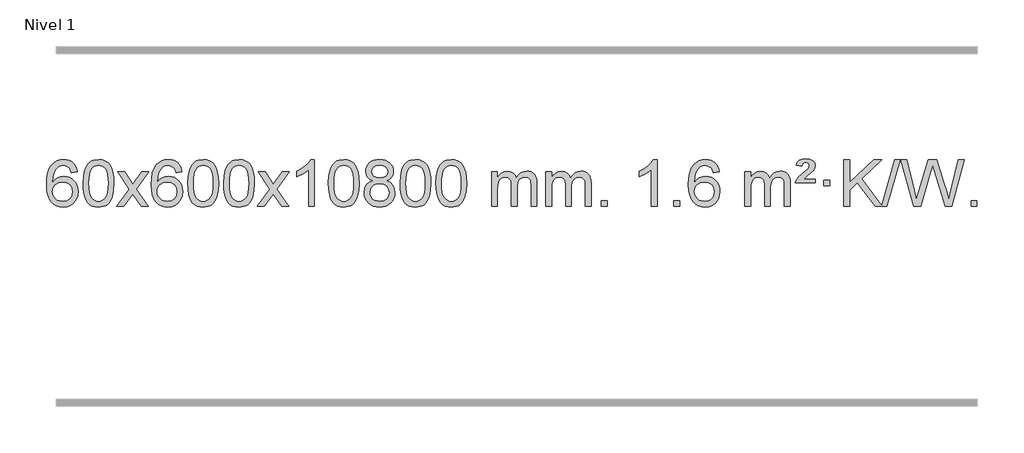
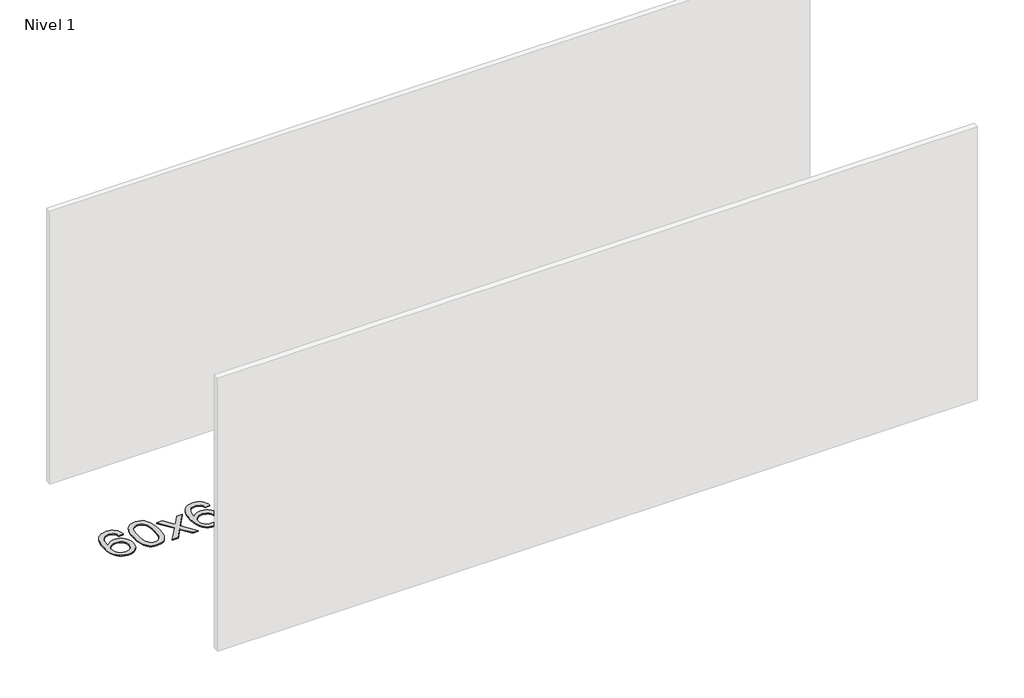
# One storey, part 18 of 21: 1 proxy.
"""IFC4 building model written with IfcOpenShell, lengths in millimetres."""

from ifc_helpers import new_model, si_unit, origin, origin_with_axes, place, context, project, spatial, polyline, outline, extrude, element, save

model = new_model("IFC4")

# Units and contexts
model_context = context("Model", 3, world=origin())
ifc_project = project(units=[si_unit("LENGTHUNIT", "METRE", prefix="MILLI")], contexts=[model_context])

# Site, building, storey
site = spatial("IfcSite", under=ifc_project)
building = spatial("IfcBuilding", under=site)
storey = spatial("IfcBuildingStorey", under=building, Name="Nivel 1", Elevation=0.0)

# Proxy
placement = place(None, origin())
element("IfcBuildingElementProxy", 1, Name="Texto de modelo 1", ObjectType="Texto de modelo 1", at=placement, inside=storey, context=model_context, shape_type="SweptSolid", body=[
    extrude(outline(polyline([(-52.5741406, -3100.4890419), (-102.8022957, -3106.7675613), (-110.8956996, -3081.874213), (-121.8340576, -3064.8780648), (-144.6182158, -3049.2062918), (-172.1603145, -3043.9823675), (-195.5085585, -3047.0235253), (-217.4833763, -3056.1469988), (-236.3557227, -3075.3627017), (-251.7699783, -3101.8134171), (-262.1810387, -3139.227016), (-266.0437997, -3191.3313693), (-245.8961291, -3167.8237098), (-221.7508075, -3151.2567573), (-194.9567355, -3141.434308), (-166.8628138, -3138.1601582), (-142.7297549, -3140.398107), (-120.4606315, -3147.1119534), (-100.0554435, -3158.3016975), (-81.5141909, -3173.9673391), (-66.1060667, -3193.1769106), (-55.1002637, -3214.9984443), (-48.4967818, -3239.4319401), (-46.2956212, -3266.4773982), (-50.440425, -3302.4439945), (-62.8748365, -3335.786366), (-82.568786, -3364.0642287), (-108.4922039, -3384.8372987), (-139.4678679, -3397.602804), (-174.3185556, -3401.8579724), (-204.2610843, -3399.0375437), (-231.3034766, -3390.5762579), (-255.4457325, -3376.4741147), (-276.6878521, -3356.7311143), (-294.005897, -3330.5133908), (-306.3759291, -3296.9870783), (-313.7979483, -3256.1521768), (-316.2719548, -3208.0086864), (-313.5251025, -3154.0342663), (-305.2845458, -3107.9693092), (-291.5502847, -3069.8138149), (-272.3223191, -3039.5677835), (-251.481804, -3019.5243462), (-227.3180883, -3005.2076052), (-199.8311719, -2996.6175606), (-169.0210548, -2993.7542124), (-145.8874087, -2995.5261773), (-124.9487918, -3000.8420722), (-106.2052042, -3009.7018969), (-89.6566457, -3022.1056515), (-75.7507063, -3037.6364031), (-64.9349757, -3055.8772186), (-57.2094538, -3076.8280983), (-52.5741406, -3100.4890419)]), holes=[polyline([(-266.0437997, -3265.6925832), (-263.1375319, -3287.9494439), (-254.4187286, -3309.2007605), (-240.8806712, -3327.472233), (-223.516641, -3340.7895612), (-202.5596301, -3348.9197533), (-178.2426302, -3351.6298173), (-145.0964624, -3346.0134855), (-131.1813259, -3338.9930708), (-119.0381544, -3329.1644901), (-109.188114, -3316.9262824), (-102.1523708, -3302.6769865), (-96.5237763, -3268.1451299), (-102.0787944, -3234.9989621), (-109.0225671, -3221.3781312), (-118.7438488, -3209.725469), (-130.9238085, -3200.3904634), (-145.2436152, -3193.7226022), (-180.3027693, -3188.3883133), (-213.3998862, -3193.7226022), (-241.0768749, -3209.725469), (-251.9999045, -3221.2248471), (-259.8020685, -3234.3858254), (-264.4833669, -3249.2084042), (-266.0437997, -3265.6925832)])]), origin_with_axes(), (0.0, 0.0, 1.0), 10.0),
    extrude(outline(polyline([(-2.3459855, -3197.9041943), (1.3450971, -3133.5861588), (12.4183452, -3082.2911459), (30.763394, -3043.2343407), (42.621457, -3028.0009605), (56.269879, -3015.6309284), (71.7546453, -3006.0598651), (89.1217412, -2999.2233914), (129.5029215, -2993.7542124), (160.4540601, -2996.991574), (188.167837, -3006.7036586), (211.3444027, -3022.5103217), (228.6839074, -3044.0314184), (241.7805065, -3071.0830078), (252.2283551, -3103.4811488), (259.0709602, -3144.6226186), (261.3518286, -3197.9041943), (257.6975341, -3261.8543477), (246.7346507, -3313.0267333), (228.4999664, -3352.1203266), (216.6694946, -3367.3996922), (203.0302696, -3379.8341036), (187.5271092, -3389.4695462), (170.1048311, -3396.3520052), (129.5029215, -3401.8579724), (101.8381955, -3399.4667394), (77.3127291, -3392.2930405), (55.9265225, -3380.3368757), (37.6795755, -3363.5982449), (20.1683926, -3333.3399508), (7.6604047, -3295.6381776), (0.155612, -3250.4929255), (-2.3459855, -3197.9041943)]), holes=[polyline([(47.8821695, -3197.8060924), (49.3536975, -3241.4706195), (53.7682815, -3276.8148822), (61.1259214, -3303.8388804), (71.4266172, -3322.5426142), (83.8855541, -3335.2682656), (97.7179171, -3344.3580165), (112.9237063, -3349.8118671), (129.5029215, -3351.6298173), (146.0821368, -3349.8057357), (161.2879259, -3344.3334911), (175.1202889, -3335.2130833), (187.5792258, -3322.4445124), (197.8799217, -3303.7101217), (205.2375616, -3276.6922549), (209.6521455, -3241.3909118), (211.1236735, -3197.8060924), (209.7011965, -3155.2973278), (205.4337653, -3120.5753989), (198.3213801, -3093.6403055), (188.3640408, -3074.4920476), (176.1135703, -3061.1440625), (162.1217918, -3051.6097875), (146.3887051, -3045.8892225), (128.9143103, -3043.9823675), (112.4209342, -3045.6623619), (97.4726625, -3050.7023452), (84.0694951, -3059.1023175), (72.2114321, -3070.8622786), (61.5673797, -3091.708925), (53.9644852, -3119.8151094), (49.4027484, -3155.1808319), (47.8821695, -3197.8060924)])]), origin_with_axes(), (0.0, 0.0, 1.0), 10.0),
    extrude(outline(polyline([(286.4659061, -3395.579453), (393.7893469, -3247.2494325), (292.7444255, -3100.4890419), (353.1751746, -3100.4890419), (401.9318017, -3171.122385), (424.6914345, -3204.4770192), (444.4099094, -3177.2047007), (499.9355652, -3100.4890419), (560.3663143, -3100.4890419), (454.2200959, -3247.2494325), (556.4422397, -3395.579453), (496.0114906, -3395.579453), (434.501621, -3306.4048574), (423.2199065, -3290.1199477), (346.8966552, -3395.579453), (286.4659061, -3395.579453)])), origin_with_axes(), (0.0, 0.0, 1.0), 10.0),
    extrude(outline(polyline([(845.2541313, -3100.4890419), (795.0259763, -3106.7675613), (786.9325724, -3081.874213), (775.9942144, -3064.8780648), (753.2100561, -3049.2062918), (725.6679574, -3043.9823675), (702.3197135, -3047.0235253), (680.3448956, -3056.1469988), (661.4725493, -3075.3627017), (646.0582937, -3101.8134171), (635.6472332, -3139.227016), (631.7844723, -3191.3313693), (651.9321429, -3167.8237098), (676.0774645, -3151.2567573), (702.8715365, -3141.434308), (730.9654582, -3138.1601582), (755.0985171, -3140.398107), (777.3676405, -3147.1119534), (797.7728285, -3158.3016975), (816.3140811, -3173.9673391), (831.7222053, -3193.1769106), (842.7280083, -3214.9984443), (849.3314901, -3239.4319401), (851.5326507, -3266.4773982), (847.3878469, -3302.4439945), (834.9534355, -3335.786366), (815.259486, -3364.0642287), (789.3360681, -3384.8372987), (758.3604041, -3397.602804), (723.5097164, -3401.8579724), (693.5671877, -3399.0375437), (666.5247954, -3390.5762579), (642.3825394, -3376.4741147), (621.1404199, -3356.7311143), (603.822375, -3330.5133908), (591.4523429, -3296.9870783), (584.0303236, -3256.1521768), (581.5563172, -3208.0086864), (584.3031694, -3154.0342663), (592.5437261, -3107.9693092), (606.2779873, -3069.8138149), (625.5059529, -3039.5677835), (646.3464679, -3019.5243462), (670.5101836, -3005.2076052), (697.9971, -2996.6175606), (728.8072171, -2993.7542124), (751.9408633, -2995.5261773), (772.8794802, -3000.8420722), (791.6230678, -3009.7018969), (808.1716262, -3022.1056515), (822.0775656, -3037.6364031), (832.8932963, -3055.8772186), (840.6188182, -3076.8280983), (845.2541313, -3100.4890419)]), holes=[polyline([(631.7844723, -3265.6925832), (634.69074, -3287.9494439), (643.4095433, -3309.2007605), (656.9476007, -3327.472233), (674.3116309, -3340.7895612), (695.2686419, -3348.9197533), (719.5856418, -3351.6298173), (752.7318096, -3346.0134855), (766.646946, -3338.9930708), (778.7901175, -3329.1644901), (788.640158, -3316.9262824), (795.6759011, -3302.6769865), (801.3044957, -3268.1451299), (795.7494775, -3234.9989621), (788.8057049, -3221.3781312), (779.0844231, -3209.725469), (766.9044634, -3200.3904634), (752.5846568, -3193.7226022), (717.5255026, -3188.3883133), (684.4283858, -3193.7226022), (656.751397, -3209.725469), (645.8283674, -3221.2248471), (638.0262035, -3234.3858254), (633.3449051, -3249.2084042), (631.7844723, -3265.6925832)])]), origin_with_axes(), (0.0, 0.0, 1.0), 10.0),
    extrude(outline(polyline([(895.4822864, -3197.9041943), (899.1733691, -3133.5861588), (910.2466172, -3082.2911459), (928.591666, -3043.2343407), (940.449729, -3028.0009605), (954.098151, -3015.6309284), (969.5829173, -3006.0598651), (986.9500131, -2999.2233914), (1027.3311935, -2993.7542124), (1058.282332, -2996.991574), (1085.996109, -3006.7036586), (1109.1726747, -3022.5103217), (1126.5121794, -3044.0314184), (1139.6087784, -3071.0830078), (1150.0566271, -3103.4811488), (1156.8992322, -3144.6226186), (1159.1801006, -3197.9041943), (1155.5258061, -3261.8543477), (1144.5629226, -3313.0267333), (1126.3282384, -3352.1203266), (1114.4977666, -3367.3996922), (1100.8585416, -3379.8341036), (1085.3553812, -3389.4695462), (1067.933103, -3396.3520052), (1027.3311935, -3401.8579724), (999.6664674, -3399.4667394), (975.1410011, -3392.2930405), (953.7547945, -3380.3368757), (935.5078475, -3363.5982449), (917.9966645, -3333.3399508), (905.4886767, -3295.6381776), (897.983884, -3250.4929255), (895.4822864, -3197.9041943)]), holes=[polyline([(945.7104415, -3197.8060924), (947.1819695, -3241.4706195), (951.5965534, -3276.8148822), (958.9541933, -3303.8388804), (969.2548892, -3322.5426142), (981.7138261, -3335.2682656), (995.5461891, -3344.3580165), (1010.7519782, -3349.8118671), (1027.3311935, -3351.6298173), (1043.9104087, -3349.8057357), (1059.1161979, -3344.3334911), (1072.9485609, -3335.2130833), (1085.4074978, -3322.4445124), (1095.7081937, -3303.7101217), (1103.0658336, -3276.6922549), (1107.4804175, -3241.3909118), (1108.9519455, -3197.8060924), (1107.5294684, -3155.2973278), (1103.2620373, -3120.5753989), (1096.1496521, -3093.6403055), (1086.1923127, -3074.4920476), (1073.9418423, -3061.1440625), (1059.9500637, -3051.6097875), (1044.2169771, -3045.8892225), (1026.7425823, -3043.9823675), (1010.2492062, -3045.6623619), (995.3009344, -3050.7023452), (981.8977671, -3059.1023175), (970.0397041, -3070.8622786), (959.3956517, -3091.708925), (951.7927571, -3119.8151094), (947.2310204, -3155.1808319), (945.7104415, -3197.8060924)])]), origin_with_axes(), (0.0, 0.0, 1.0), 10.0),
    extrude(outline(polyline([(1203.1297362, -3197.9041943), (1206.8208189, -3133.5861588), (1217.894067, -3082.2911459), (1236.2391158, -3043.2343407), (1248.0971788, -3028.0009605), (1261.7456008, -3015.6309284), (1277.2303671, -3006.0598651), (1294.597463, -2999.2233914), (1334.9786433, -2993.7542124), (1365.9297818, -2996.991574), (1393.6435588, -3006.7036586), (1416.8201245, -3022.5103217), (1434.1596292, -3044.0314184), (1447.2562282, -3071.0830078), (1457.7040769, -3103.4811488), (1464.546682, -3144.6226186), (1466.8275504, -3197.9041943), (1463.1732559, -3261.8543477), (1452.2103725, -3313.0267333), (1433.9756882, -3352.1203266), (1422.1452164, -3367.3996922), (1408.5059914, -3379.8341036), (1393.002831, -3389.4695462), (1375.5805529, -3396.3520052), (1334.9786433, -3401.8579724), (1307.3139173, -3399.4667394), (1282.7884509, -3392.2930405), (1261.4022443, -3380.3368757), (1243.1552973, -3363.5982449), (1225.6441144, -3333.3399508), (1213.1361265, -3295.6381776), (1205.6313338, -3250.4929255), (1203.1297362, -3197.9041943)]), holes=[polyline([(1253.3578913, -3197.8060924), (1254.8294193, -3241.4706195), (1259.2440032, -3276.8148822), (1266.6016432, -3303.8388804), (1276.902339, -3322.5426142), (1289.3612759, -3335.2682656), (1303.1936389, -3344.3580165), (1318.3994281, -3349.8118671), (1334.9786433, -3351.6298173), (1351.5578586, -3349.8057357), (1366.7636477, -3344.3334911), (1380.5960107, -3335.2130833), (1393.0549476, -3322.4445124), (1403.3556435, -3303.7101217), (1410.7132834, -3276.6922549), (1415.1278673, -3241.3909118), (1416.5993953, -3197.8060924), (1415.1769183, -3155.2973278), (1410.9094871, -3120.5753989), (1403.7971019, -3093.6403055), (1393.8397625, -3074.4920476), (1381.5892921, -3061.1440625), (1367.5975136, -3051.6097875), (1351.8644269, -3045.8892225), (1334.3900321, -3043.9823675), (1317.896656, -3045.6623619), (1302.9483843, -3050.7023452), (1289.5452169, -3059.1023175), (1277.6871539, -3070.8622786), (1267.0431015, -3091.708925), (1259.440207, -3119.8151094), (1254.8784702, -3155.1808319), (1253.3578913, -3197.8060924)])]), origin_with_axes(), (0.0, 0.0, 1.0), 10.0),
    extrude(outline(polyline([(1491.9416279, -3395.579453), (1599.2650687, -3247.2494325), (1498.2201473, -3100.4890419), (1558.6508964, -3100.4890419), (1607.4075235, -3171.122385), (1630.1671563, -3204.4770192), (1649.8856312, -3177.2047007), (1705.411287, -3100.4890419), (1765.8420361, -3100.4890419), (1659.6958177, -3247.2494325), (1761.9179615, -3395.579453), (1701.4872124, -3395.579453), (1639.9773428, -3306.4048574), (1628.6956283, -3290.1199477), (1552.372377, -3395.579453), (1491.9416279, -3395.579453)])), origin_with_axes(), (0.0, 0.0, 1.0), 10.0),
    extrude(outline(polyline([(1981.6661399, -3395.579453), (1931.4379848, -3395.579453), (1931.4379848, -3082.4382987), (1910.4687111, -3099.3976587), (1883.8585801, -3116.3324932), (1830.9816747, -3141.6918254), (1830.9816747, -3094.2105225), (1870.4308873, -3072.7507395), (1904.6071247, -3047.219729), (1931.5483494, -3020.0700378), (1949.2925243, -2993.7542124), (1981.6661399, -2993.7542124), (1981.6661399, -3395.579453)])), origin_with_axes(), (0.0, 0.0, 1.0), 10.0),
    extrude(outline(polyline([(2100.9580082, -3197.9041943), (2104.6490909, -3133.5861588), (2115.722339, -3082.2911459), (2134.0673878, -3043.2343407), (2145.9254508, -3028.0009605), (2159.5738728, -3015.6309284), (2175.0586391, -3006.0598651), (2192.4257349, -2999.2233914), (2232.8069153, -2993.7542124), (2263.7580538, -2996.991574), (2291.4718308, -3006.7036586), (2314.6483965, -3022.5103217), (2331.9879012, -3044.0314184), (2345.0845002, -3071.0830078), (2355.5323489, -3103.4811488), (2362.374954, -3144.6226186), (2364.6558224, -3197.9041943), (2361.0015279, -3261.8543477), (2350.0386444, -3313.0267333), (2331.8039602, -3352.1203266), (2319.9734884, -3367.3996922), (2306.3342634, -3379.8341036), (2290.831103, -3389.4695462), (2273.4088248, -3396.3520052), (2232.8069153, -3401.8579724), (2205.1421892, -3399.4667394), (2180.6167229, -3392.2930405), (2159.2305162, -3380.3368757), (2140.9835693, -3363.5982449), (2123.4723863, -3333.3399508), (2110.9643985, -3295.6381776), (2103.4596058, -3250.4929255), (2100.9580082, -3197.9041943)]), holes=[polyline([(2151.1861633, -3197.8060924), (2152.6576913, -3241.4706195), (2157.0722752, -3276.8148822), (2164.4299151, -3303.8388804), (2174.730611, -3322.5426142), (2187.1895479, -3335.2682656), (2201.0219109, -3344.3580165), (2216.2277, -3349.8118671), (2232.8069153, -3351.6298173), (2249.3861305, -3349.8057357), (2264.5919197, -3344.3334911), (2278.4242827, -3335.2130833), (2290.8832196, -3322.4445124), (2301.1839155, -3303.7101217), (2308.5415554, -3276.6922549), (2312.9561393, -3241.3909118), (2314.4276673, -3197.8060924), (2313.0051902, -3155.2973278), (2308.7377591, -3120.5753989), (2301.6253738, -3093.6403055), (2291.6680345, -3074.4920476), (2279.4175641, -3061.1440625), (2265.4257855, -3051.6097875), (2249.6926989, -3045.8892225), (2232.2183041, -3043.9823675), (2215.724928, -3045.6623619), (2200.7766562, -3050.7023452), (2187.3734889, -3059.1023175), (2175.5154259, -3070.8622786), (2164.8713735, -3091.708925), (2157.2684789, -3119.8151094), (2152.7067422, -3155.1808319), (2151.1861633, -3197.8060924)])]), origin_with_axes(), (0.0, 0.0, 1.0), 10.0),
    extrude(outline(polyline([(2481.7894496, -3174.2616447), (2454.8972758, -3161.0178929), (2436.0249294, -3143.0652515), (2424.878105, -3120.7716026), (2421.1624968, -3094.5048281), (2423.1858478, -3074.0199324), (2429.2559007, -3055.2395565), (2439.3726556, -3038.1637006), (2453.5361124, -3022.7923645), (2471.0656895, -3010.088173), (2491.2808051, -3001.0137504), (2514.1814593, -2995.5690969), (2539.7676521, -2993.7542124), (2565.4764722, -2995.6120165), (2588.5488046, -3001.1854287), (2608.9846495, -3010.4744491), (2626.7840067, -3023.4790776), (2641.2049809, -3039.1508506), (2651.5056767, -3056.4413044), (2657.6860942, -3075.3504389), (2659.7462334, -3095.8782543), (2656.0796762, -3121.2989001), (2645.0800045, -3143.2124043), (2626.6245911, -3161.0546811), (2600.5908086, -3174.2616447), (2631.5051589, -3190.1909351), (2654.0072743, -3213.6495436), (2667.7292727, -3243.5092989), (2672.3032722, -3278.6420295), (2670.0346666, -3303.6947933), (2663.2288496, -3326.6628926), (2651.8858215, -3347.5463272), (2636.005582, -3366.3450971), (2616.4219971, -3381.88198), (2593.9689327, -3392.9797536), (2568.6463887, -3399.6384177), (2540.4543651, -3401.8579724), (2512.2623416, -3399.6292206), (2486.9397976, -3392.9429654), (2464.4867331, -3381.7992066), (2444.9031482, -3366.1979443), (2429.0229088, -3347.26735), (2417.6798806, -3326.135595), (2410.8740637, -3302.8026795), (2408.605458, -3277.2686033), (2413.3633985, -3240.7747094), (2427.6372199, -3210.7555386), (2450.6911583, -3188.2411605), (2481.7894496, -3174.2616447)]), holes=[polyline([(2471.3906519, -3095.9763561), (2475.842024, -3117.902123), (2489.1961405, -3135.413306), (2511.0605937, -3146.8912243), (2541.0429763, -3150.717197), (2570.3263831, -3146.9157497), (2591.8597426, -3135.5114079), (2605.1034944, -3118.5888361), (2609.5180783, -3098.232699), (2604.9563416, -3077.1040098), (2591.2711314, -3059.629615), (2569.4434663, -3047.8941794), (2540.4543651, -3043.9823675), (2511.2813229, -3047.8083402), (2489.4904461, -3059.2862585), (2475.9156004, -3076.1107284), (2471.3906519, -3095.9763561)]), polyline([(2458.8336131, -3275.5027698), (2460.9305405, -3294.7184726), (2467.2213226, -3313.3210389), (2478.8341309, -3329.5446349), (2496.8971369, -3341.623427), (2518.5285982, -3349.1282197), (2540.8467726, -3351.6298173), (2575.0352727, -3346.3691048), (2588.9289493, -3339.7932141), (2600.6889105, -3330.5869672), (2616.7285654, -3306.6869002), (2622.0751171, -3277.0723996), (2616.5568872, -3246.9551269), (2600.0021974, -3222.5277625), (2587.9234052, -3213.0854579), (2573.7599484, -3206.3409547), (2539.1790409, -3200.9453521), (2505.4687874, -3206.2673783), (2491.7314605, -3212.919911), (2480.072667, -3222.2334569), (2464.1433766, -3246.1948375), (2458.8336131, -3275.5027698)])]), origin_with_axes(), (0.0, 0.0, 1.0), 10.0),
    extrude(outline(polyline([(2716.2529079, -3197.9041943), (2719.9439906, -3133.5861588), (2731.0172386, -3082.2911459), (2749.3622874, -3043.2343407), (2761.2203504, -3028.0009605), (2774.8687724, -3015.6309284), (2790.3535388, -3006.0598651), (2807.7206346, -2999.2233914), (2848.1018149, -2993.7542124), (2879.0529535, -2996.991574), (2906.7667304, -3006.7036586), (2929.9432961, -3022.5103217), (2947.2828008, -3044.0314184), (2960.3793999, -3071.0830078), (2970.8272485, -3103.4811488), (2977.6698537, -3144.6226186), (2979.950722, -3197.9041943), (2976.2964275, -3261.8543477), (2965.3335441, -3313.0267333), (2947.0988599, -3352.1203266), (2935.268388, -3367.3996922), (2921.6291631, -3379.8341036), (2906.1260026, -3389.4695462), (2888.7037245, -3396.3520052), (2848.1018149, -3401.8579724), (2820.4370889, -3399.4667394), (2795.9116226, -3392.2930405), (2774.5254159, -3380.3368757), (2756.278469, -3363.5982449), (2738.767286, -3333.3399508), (2726.2592981, -3295.6381776), (2718.7545054, -3250.4929255), (2716.2529079, -3197.9041943)]), holes=[polyline([(2766.481063, -3197.8060924), (2767.9525909, -3241.4706195), (2772.3671749, -3276.8148822), (2779.7248148, -3303.8388804), (2790.0255106, -3322.5426142), (2802.4844475, -3335.2682656), (2816.3168106, -3344.3580165), (2831.5225997, -3349.8118671), (2848.1018149, -3351.6298173), (2864.6810302, -3349.8057357), (2879.8868193, -3344.3334911), (2893.7191824, -3335.2130833), (2906.1781193, -3322.4445124), (2916.4788151, -3303.7101217), (2923.836455, -3276.6922549), (2928.251039, -3241.3909118), (2929.7225669, -3197.8060924), (2928.3000899, -3155.2973278), (2924.0326588, -3120.5753989), (2916.9202735, -3093.6403055), (2906.9629342, -3074.4920476), (2894.7124637, -3061.1440625), (2880.7206852, -3051.6097875), (2864.9875985, -3045.8892225), (2847.5132038, -3043.9823675), (2831.0198276, -3045.6623619), (2816.0715559, -3050.7023452), (2802.6683885, -3059.1023175), (2790.8103256, -3070.8622786), (2780.1662732, -3091.708925), (2772.5633786, -3119.8151094), (2768.0016419, -3155.1808319), (2766.481063, -3197.8060924)])]), origin_with_axes(), (0.0, 0.0, 1.0), 10.0),
    extrude(outline(polyline([(3023.9003577, -3197.9041943), (3027.5914404, -3133.5861588), (3038.6646885, -3082.2911459), (3057.0097373, -3043.2343407), (3068.8678003, -3028.0009605), (3082.5162223, -3015.6309284), (3098.0009886, -3006.0598651), (3115.3680844, -2999.2233914), (3155.7492648, -2993.7542124), (3186.7004033, -2996.991574), (3214.4141803, -3006.7036586), (3237.590746, -3022.5103217), (3254.9302507, -3044.0314184), (3268.0268497, -3071.0830078), (3278.4746984, -3103.4811488), (3285.3173035, -3144.6226186), (3287.5981719, -3197.9041943), (3283.9438774, -3261.8543477), (3272.9809939, -3313.0267333), (3254.7463097, -3352.1203266), (3242.9158379, -3367.3996922), (3229.2766129, -3379.8341036), (3213.7734525, -3389.4695462), (3196.3511743, -3396.3520052), (3155.7492648, -3401.8579724), (3128.0845387, -3399.4667394), (3103.5590724, -3392.2930405), (3082.1728657, -3380.3368757), (3063.9259188, -3363.5982449), (3046.4147358, -3333.3399508), (3033.906748, -3295.6381776), (3026.4019553, -3250.4929255), (3023.9003577, -3197.9041943)]), holes=[polyline([(3074.1285128, -3197.8060924), (3075.6000408, -3241.4706195), (3080.0146247, -3276.8148822), (3087.3722646, -3303.8388804), (3097.6729605, -3322.5426142), (3110.1318974, -3335.2682656), (3123.9642604, -3344.3580165), (3139.1700495, -3349.8118671), (3155.7492648, -3351.6298173), (3172.32848, -3349.8057357), (3187.5342692, -3344.3334911), (3201.3666322, -3335.2130833), (3213.8255691, -3322.4445124), (3224.126265, -3303.7101217), (3231.4839049, -3276.6922549), (3235.8984888, -3241.3909118), (3237.3700168, -3197.8060924), (3235.9475397, -3155.2973278), (3231.6801086, -3120.5753989), (3224.5677233, -3093.6403055), (3214.610384, -3074.4920476), (3202.3599136, -3061.1440625), (3188.368135, -3051.6097875), (3172.6350484, -3045.8892225), (3155.1606536, -3043.9823675), (3138.6672775, -3045.6623619), (3123.7190057, -3050.7023452), (3110.3158384, -3059.1023175), (3098.4577754, -3070.8622786), (3087.813723, -3091.708925), (3080.2108284, -3119.8151094), (3075.6490917, -3155.1808319), (3074.1285128, -3197.8060924)])]), origin_with_axes(), (0.0, 0.0, 1.0), 10.0),
    extrude(outline(polyline([(3501.0678309, -3395.579453), (3501.0678309, -3100.4890419), (3551.295986, -3100.4890419), (3551.295986, -3149.0494653), (3566.4036733, -3126.7435537), (3585.8278426, -3109.2691589), (3608.9063064, -3097.9751816), (3634.9768772, -3094.2105225), (3662.9113833, -3098.048758), (3685.3031341, -3109.5634645), (3702.0295022, -3127.9943524), (3712.9678601, -3152.5811324), (3731.2761208, -3127.0439906), (3752.1595554, -3108.803175), (3775.6181639, -3097.8586857), (3801.6519464, -3094.2105225), (3821.7597632, -3095.7280358), (3839.4089019, -3100.2805755), (3854.5993626, -3107.8681416), (3867.3311453, -3118.4907342), (3877.3957836, -3132.2709806), (3884.5848109, -3149.3315082), (3888.8982273, -3169.6723168), (3890.3360328, -3193.2934066), (3890.3360328, -3395.579453), (3840.1078777, -3395.579453), (3840.1078777, -3214.875817), (3838.942918, -3189.8230531), (3835.4480391, -3172.9372695), (3828.8997396, -3161.3735121), (3818.5745182, -3152.2868268), (3805.2939782, -3146.4007149), (3789.8797226, -3144.4386776), (3762.6687177, -3149.4663982), (3740.4854334, -3164.54956), (3731.8800604, -3176.1194488), (3725.7333654, -3190.7182326), (3720.8160094, -3229.0024856), (3720.8160094, -3395.579453), (3670.5878543, -3395.579453), (3670.5878543, -3209.2840106), (3667.6815865, -3180.8835206), (3658.9627833, -3160.6254854), (3643.6221041, -3148.4853796), (3620.8502086, -3144.4386776), (3601.4996156, -3147.1364789), (3583.6696016, -3155.2298828), (3568.9543218, -3168.5226856), (3558.9479315, -3186.8186835), (3553.2089724, -3212.2025411), (3551.295986, -3246.7589232), (3551.295986, -3395.579453), (3501.0678309, -3395.579453)])), origin_with_axes(), (0.0, 0.0, 1.0), 10.0),
    extrude(outline(polyline([(3965.6782654, -3395.579453), (3965.6782654, -3100.4890419), (4015.9064204, -3100.4890419), (4015.9064204, -3149.0494653), (4031.0141077, -3126.7435537), (4050.4382771, -3109.2691589), (4073.5167409, -3097.9751816), (4099.5873116, -3094.2105225), (4127.5218178, -3098.048758), (4149.9135685, -3109.5634645), (4166.6399366, -3127.9943524), (4177.5782946, -3152.5811324), (4195.8865552, -3127.0439906), (4216.7699898, -3108.803175), (4240.2285984, -3097.8586857), (4266.2623809, -3094.2105225), (4286.3701976, -3095.7280358), (4304.0193363, -3100.2805755), (4319.209797, -3107.8681416), (4331.9415798, -3118.4907342), (4342.006218, -3132.2709806), (4349.1952453, -3149.3315082), (4353.5086617, -3169.6723168), (4354.9464672, -3193.2934066), (4354.9464672, -3395.579453), (4304.7183121, -3395.579453), (4304.7183121, -3214.875817), (4303.5533525, -3189.8230531), (4300.0584735, -3172.9372695), (4293.510174, -3161.3735121), (4283.1849527, -3152.2868268), (4269.9044126, -3146.4007149), (4254.490157, -3144.4386776), (4227.2791521, -3149.4663982), (4205.0958678, -3164.54956), (4196.4904948, -3176.1194488), (4190.3437998, -3190.7182326), (4185.4264438, -3229.0024856), (4185.4264438, -3395.579453), (4135.1982887, -3395.579453), (4135.1982887, -3209.2840106), (4132.292021, -3180.8835206), (4123.5732177, -3160.6254854), (4108.2325385, -3148.4853796), (4085.460643, -3144.4386776), (4066.11005, -3147.1364789), (4048.280036, -3155.2298828), (4033.5647562, -3168.5226856), (4023.5583659, -3186.8186835), (4017.8194068, -3212.2025411), (4015.9064204, -3246.7589232), (4015.9064204, -3395.579453), (3965.6782654, -3395.579453)])), origin_with_axes(), (0.0, 0.0, 1.0), 10.0),
    extrude(outline(polyline([(4442.8457386, -3395.579453), (4442.8457386, -3345.3512979), (4493.0738936, -3345.3512979), (4493.0738936, -3395.579453), (4442.8457386, -3395.579453)])), origin_with_axes(), (0.0, 0.0, 1.0), 10.0),
    extrude(outline(polyline([(4920.0132118, -3395.579453), (4869.7850567, -3395.579453), (4869.7850567, -3082.4382987), (4848.815783, -3099.3976587), (4822.205652, -3116.3324932), (4769.3287466, -3141.6918254), (4769.3287466, -3094.2105225), (4808.7779592, -3072.7507395), (4842.9541965, -3047.219729), (4869.8954213, -3020.0700378), (4887.6395962, -2993.7542124), (4920.0132118, -2993.7542124), (4920.0132118, -3395.579453)])), origin_with_axes(), (0.0, 0.0, 1.0), 10.0),
    extrude(outline(polyline([(5064.4191576, -3395.579453), (5064.4191576, -3345.3512979), (5114.6473127, -3345.3512979), (5114.6473127, -3395.579453), (5064.4191576, -3395.579453)])), origin_with_axes(), (0.0, 0.0, 1.0), 10.0),
    extrude(outline(polyline([(5453.6873595, -3100.4890419), (5403.4592044, -3106.7675613), (5395.3658005, -3081.874213), (5384.4274425, -3064.8780648), (5361.6432843, -3049.2062918), (5334.1011856, -3043.9823675), (5310.7529416, -3047.0235253), (5288.7781237, -3056.1469988), (5269.9057774, -3075.3627017), (5254.4915218, -3101.8134171), (5244.0804613, -3139.227016), (5240.2177004, -3191.3313693), (5260.365371, -3167.8237098), (5284.5106926, -3151.2567573), (5311.3047646, -3141.434308), (5339.3986863, -3138.1601582), (5363.5317452, -3140.398107), (5385.8008686, -3147.1119534), (5406.2060566, -3158.3016975), (5424.7473092, -3173.9673391), (5440.1554334, -3193.1769106), (5451.1612364, -3214.9984443), (5457.7647182, -3239.4319401), (5459.9658788, -3266.4773982), (5455.821075, -3302.4439945), (5443.3866636, -3335.786366), (5423.6927141, -3364.0642287), (5397.7692962, -3384.8372987), (5366.7936322, -3397.602804), (5331.9429445, -3401.8579724), (5302.0004158, -3399.0375437), (5274.9580235, -3390.5762579), (5250.8157675, -3376.4741147), (5229.573648, -3356.7311143), (5212.2556031, -3330.5133908), (5199.885571, -3296.9870783), (5192.4635517, -3256.1521768), (5189.9895453, -3208.0086864), (5192.7363975, -3154.0342663), (5200.9769542, -3107.9693092), (5214.7112154, -3069.8138149), (5233.939181, -3039.5677835), (5254.779696, -3019.5243462), (5278.9434117, -3005.2076052), (5306.4303282, -2996.6175606), (5337.2404452, -2993.7542124), (5360.3740914, -2995.5261773), (5381.3127083, -3000.8420722), (5400.0562959, -3009.7018969), (5416.6048543, -3022.1056515), (5430.5107938, -3037.6364031), (5441.3265244, -3055.8772186), (5449.0520463, -3076.8280983), (5453.6873595, -3100.4890419)]), holes=[polyline([(5240.2177004, -3265.6925832), (5243.1239681, -3287.9494439), (5251.8427714, -3309.2007605), (5265.3808289, -3327.472233), (5282.744859, -3340.7895612), (5303.70187, -3348.9197533), (5328.0188699, -3351.6298173), (5361.1650377, -3346.0134855), (5375.0801741, -3338.9930708), (5387.2233457, -3329.1644901), (5397.0733861, -3316.9262824), (5404.1091292, -3302.6769865), (5409.7377238, -3268.1451299), (5404.1827056, -3234.9989621), (5397.238933, -3221.3781312), (5387.5176513, -3209.725469), (5375.3376915, -3200.3904634), (5361.0178849, -3193.7226022), (5325.9587307, -3188.3883133), (5292.8616139, -3193.7226022), (5265.1846251, -3209.725469), (5254.2615956, -3221.2248471), (5246.4594316, -3234.3858254), (5241.7781332, -3249.2084042), (5240.2177004, -3265.6925832)])]), origin_with_axes(), (0.0, 0.0, 1.0), 10.0),
    extrude(outline(polyline([(5673.4355379, -3395.579453), (5673.4355379, -3100.4890419), (5723.663693, -3100.4890419), (5723.663693, -3149.0494653), (5738.7713803, -3126.7435537), (5758.1955496, -3109.2691589), (5781.2740134, -3097.9751816), (5807.3445842, -3094.2105225), (5835.2790903, -3098.048758), (5857.6708411, -3109.5634645), (5874.3972091, -3127.9943524), (5885.3355671, -3152.5811324), (5903.6438278, -3127.0439906), (5924.5272623, -3108.803175), (5947.9858709, -3097.8586857), (5974.0196534, -3094.2105225), (5994.1274702, -3095.7280358), (6011.7766089, -3100.2805755), (6026.9670696, -3107.8681416), (6039.6988523, -3118.4907342), (6049.7634906, -3132.2709806), (6056.9525179, -3149.3315082), (6061.2659343, -3169.6723168), (6062.7037397, -3193.2934066), (6062.7037397, -3395.579453), (6012.4755847, -3395.579453), (6012.4755847, -3214.875817), (6011.310625, -3189.8230531), (6007.8157461, -3172.9372695), (6001.2674465, -3161.3735121), (5990.9422252, -3152.2868268), (5977.6616852, -3146.4007149), (5962.2474296, -3144.4386776), (5935.0364247, -3149.4663982), (5912.8531404, -3164.54956), (5904.2477674, -3176.1194488), (5898.1010724, -3190.7182326), (5893.1837164, -3229.0024856), (5893.1837164, -3395.579453), (5842.9555613, -3395.579453), (5842.9555613, -3209.2840106), (5840.0492935, -3180.8835206), (5831.3304902, -3160.6254854), (5815.989811, -3148.4853796), (5793.2179155, -3144.4386776), (5773.8673226, -3147.1364789), (5756.0373086, -3155.2298828), (5741.3220287, -3168.5226856), (5731.3156385, -3186.8186835), (5725.5766794, -3212.2025411), (5723.663693, -3246.7589232), (5723.663693, -3395.579453), (5673.4355379, -3395.579453)])), origin_with_axes(), (0.0, 0.0, 1.0), 10.0),
    extrude(outline(polyline([(6106.6533754, -3194.6668327), (6110.4793482, -3178.8479069), (6118.8180067, -3162.9799302), (6140.3268407, -3137.8413272), (6172.2835234, -3110.1030247), (6216.4293628, -3072.726214), (6223.5662735, -3061.1992448), (6225.9452437, -3049.3779701), (6224.0567828, -3037.2869152), (6218.3914001, -3027.5012541), (6209.022672, -3021.026531), (6196.0241748, -3018.8682899), (6183.5897634, -3020.4869707), (6174.73607, -3025.343013), (6168.3103978, -3034.8098431), (6163.1600499, -3050.2608869), (6112.9318948, -3043.9823675), (6123.7721509, -3018.7701881), (6140.4004171, -3001.2099542), (6164.165594, -2990.9092583), (6196.4165822, -2987.475693), (6232.1992376, -2991.6082341), (6256.9454332, -3004.0058573), (6271.3664074, -3022.3386434), (6276.1733988, -3044.2766731), (6272.0776459, -3067.1834586), (6259.7903873, -3088.8149199), (6239.262572, -3108.6314968), (6202.7932035, -3136.6886303), (6177.1886166, -3163.2742358), (6276.1733988, -3163.2742358), (6276.1733988, -3194.6668327), (6106.6533754, -3194.6668327)])), origin_with_axes(), (0.0, 0.0, 1.0), 10.0),
    extrude(outline(polyline([(6351.5156314, -3219.7809102), (6351.5156314, -3169.5527552), (6401.7437865, -3169.5527552), (6401.7437865, -3219.7809102), (6351.5156314, -3219.7809102)])), origin_with_axes(), (0.0, 0.0, 1.0), 10.0),
    extrude(outline(polyline([(6792.3854144, -3395.579453), (6638.954097, -3192.9009991), (6571.2638099, -3257.4520265), (6571.2638099, -3395.579453), (6521.0356548, -3395.579453), (6521.0356548, -2993.7542124), (6571.2638099, -2993.7542124), (6571.2638099, -3190.4484525), (6777.2777272, -2993.7542124), (6847.5186628, -2993.7542124), (6674.5650741, -3158.9577537), (6849.218684, -3389.5349332), (6960.5320117, -2993.7542124), (7005.8550735, -2993.7542124), (6892.8417246, -3395.579453), (6853.7971822, -3395.579453), (6847.5186628, -3395.579453), (6792.3854144, -3395.579453)])), origin_with_axes(), (0.0, 0.0, 1.0), 10.0),
    extrude(outline(polyline([(7120.3399504, -3395.579453), (7010.7601668, -2993.7542124), (7062.5579517, -2993.7542124), (7126.1279605, -3257.844434), (7145.7483335, -3339.3670841), (7166.7421327, -3267.2622131), (7246.4008474, -2993.7542124), (7321.056367, -2993.7542124), (7378.9364675, -3192.0180823), (7403.731714, -3265.5944814), (7422.0031864, -3339.3670841), (7441.0349483, -3260.1988788), (7505.1935683, -2993.7542124), (7556.9913532, -2993.7542124), (7447.3134677, -3395.579453), (7393.6517474, -3395.579453), (7297.3157155, -3085.5775584), (7283.87576, -3042.3146358), (7268.7680727, -3094.4067263), (7180.9669032, -3395.579453), (7120.3399504, -3395.579453)])), origin_with_axes(), (0.0, 0.0, 1.0), 10.0),
    extrude(outline(polyline([(7613.4980277, -3395.579453), (7613.4980277, -3345.3512979), (7663.7261827, -3345.3512979), (7663.7261827, -3395.579453), (7613.4980277, -3395.579453)])), origin_with_axes(), (0.0, 0.0, 1.0), 10.0),
])

save(model, "model.ifc")
